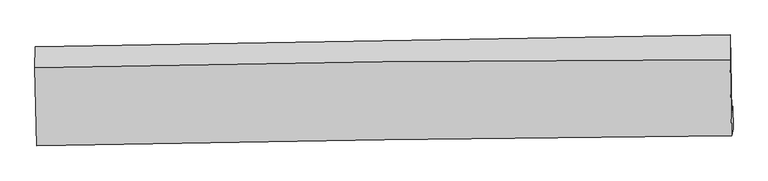
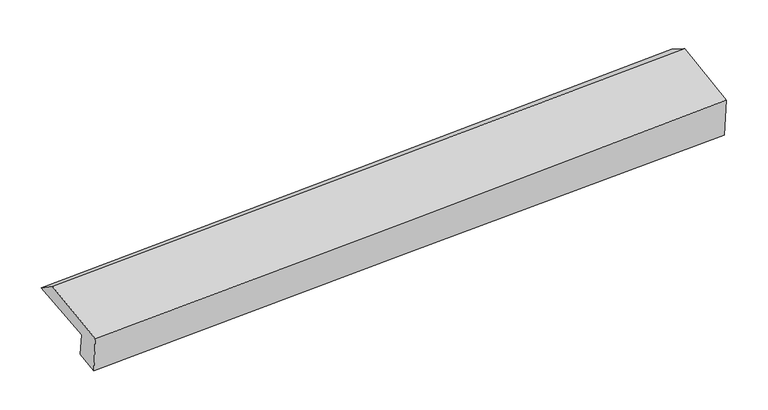
"""IFC4 building model written with IfcOpenShell, lengths in millimetres: proxy geometry."""

from ifc_helpers import new_model, si_unit, frame, origin, place, context, project, spatial, source, transform, mapped, element, save
from ifc_brep_helpers import plane_surface, spline_curve, spline_surface, advanced_brep


def generic_models_667ca4fc(model_context):
    return source(origin(), model_context, "Body", "AdvancedBrep", [
        advanced_brep(
        [(-3020.1600503, -1814.6273457, 1873.2562174), (-3034.1084314, -1181.2236274, 1963.8684921), (2995.4399932, -1076.7681548, 2182.2475413), (3008.1277172, -1746.3124408, 2091.0924142), (-3012.8924462, -1779.2632065, 1654.146172), (3016.1685012, -1695.0027805, 1843.4513355), (-3007.8521903, -1995.2945982, 1615.3583588), (3020.1918021, -1891.3627923, 1808.1771319), (-3019.7679334, -2039.8106329, 1968.269488), (3007.2178334, -1951.8359899, 2198.8424983), (-3035.599052, -1361.2699705, 2090.0995068), (2993.7137452, -1292.7595363, 2317.2392984)],
        [
            (0, 1),
            (1, 2, spline_curve(3, [(-3034.1084314, -1181.2236274, 1963.8684921), (-2028.985033265, -1162.121957369, 1994.801814915), (-1023.941581061, -1143.866196648, 2028.467538284), (985.907881429, -1109.047836022, 2101.260976174), (1990.713903971, -1092.485106261, 2140.388269545), (2995.4399932, -1076.7681548, 2182.2475413)], [4, 2, 4], [0.0, 9.897886250722813, 19.79500870915609])),
            (2, 3),
            (3, 0, spline_curve(3, [(3008.1277172, -1746.3124408, 2091.0924142), (2003.793560288, -1760.462896172, 2047.123504813), (999.288557807, -1773.230866276, 2006.986586484), (-1010.140671824, -1796.002714378, 1934.37392915), (-2015.064925147, -1806.006379486, 1901.898782329), (-3020.1600503, -1814.6273457, 1873.2562174)], [4, 2, 4], [0.0, 9.897122458433277, 19.79500870915609])),
            (4, 0),
            (3, 5),
            (5, 4, spline_curve(3, [(3016.1685012, -1695.0027805, 1843.4513355), (2011.463452577, -1717.031547499, 1813.162701873), (1006.708570503, -1735.067516632, 1782.243587589), (-1002.978404266, -1763.154941324, 1719.141964029), (-2007.910504776, -1773.205781299, 1686.95935689), (-3012.8924462, -1779.2632065, 1654.146172)], [4, 2, 4], [0.0, 9.895660152673985, 19.79208398478674])),
            (6, 4),
            (5, 7),
            (7, 6, spline_curve(3, [(3020.1918021, -1891.3627923, 1808.1771319), (2015.436500282, -1906.830586029, 1779.069879764), (1010.741230439, -1923.225096893, 1748.448700967), (-998.606776122, -1957.868889241, 1684.176010066), (-2003.259503729, -1976.118313714, 1650.524264777), (-3007.8521903, -1995.2945982, 1615.3583588)], [4, 2, 4], [0.0, 9.895165415879323, 19.79109447301701])),
            (8, 6),
            (7, 9),
            (9, 8, spline_curve(3, [(3007.2178334, -1951.8359899, 2198.8424983), (2003.008674276, -1959.32502861, 2150.858979641), (998.674665124, -1970.40034686, 2107.65336003), (-1010.320571396, -1999.724674622, 2030.794952181), (-2014.981817602, -2017.974237163, 1997.1429022), (-3019.7679334, -2039.8106329, 1968.269488)], [4, 2, 4], [0.0, 9.894667119883994, 19.790097842571274])),
            (10, 8),
            (9, 11),
            (11, 10, spline_curve(3, [(2993.7137452, -1292.7595363, 2317.2392984), (1989.03730806, -1293.786424624, 2270.405643068), (984.2757465, -1300.008650892, 2228.061056772), (-1025.495172902, -1322.844660238, 2152.347099798), (-2030.504543734, -1339.459245591, 2118.978422434), (-3035.599052, -1361.2699705, 2090.0995068)], [4, 2, 4], [0.0, 9.896469204005259, 19.793702149886343])),
            (1, 10),
            (11, 2),
        ],
        [
            spline_surface(3, 3, [[(-3020.1600503, -1814.6273457, 1873.2562174), (-2015.064925148, -1806.006379393, 1901.898782188), (-1010.140671746, -1796.002714506, 1934.373929281), (999.288557729, -1773.230866148, 2006.986586353), (2003.793560136, -1760.462896071, 2047.123504869), (3008.1277172, -1746.3124408, 2091.0924142)], [(-3024.809510672, -1603.492772908, 1903.460308973), (-2019.704961198, -1591.378238725, 1932.866459806), (-1014.740974861, -1578.623875168, 1965.738465587), (994.828332304, -1551.836522824, 2038.411382993), (1999.43367479, -1537.803632783, 2078.211759753), (3003.898475867, -1523.131012108, 2121.477456565)], [(-3029.458971028, -1392.358200192, 1933.664400527), (-2024.344997232, -1376.750098134, 1963.834137407), (-1019.341277975, -1361.245035832, 1997.103001886), (990.368106882, -1330.4421795, 2069.836179626), (1995.073789442, -1315.144369569, 2109.300014642), (2999.669234533, -1299.949583492, 2151.862498935)], [(-3034.1084314, -1181.2236274, 1963.8684921), (-2028.985033282, -1162.121957466, 1994.801815025), (-1023.94158109, -1143.866196494, 2028.467538192), (985.907881457, -1109.047836175, 2101.260976266), (1990.713904096, -1092.485106281, 2140.388269525), (2995.4399932, -1076.7681548, 2182.2475413)]], [4, 4], [4, 2, 4], [0.0, 2.1817684239056967], [0.0, 9.897886250722813, 19.79500870915609]),
            spline_surface(3, 3, [[(-3012.8924462, -1779.2632065, 1654.146172), (-2007.910504686, -1773.205781253, 1686.959356811), (-1002.978404264, -1763.154941456, 1719.141963888), (1006.708570502, -1735.0675165, 1782.24358773), (2011.463452565, -1717.031547615, 1813.162701836), (3016.1685012, -1695.0027805, 1843.4513355)], [(-3015.314980908, -1791.05125292, 1727.182853779), (-2010.295311515, -1784.139313987, 1758.605831915), (-1005.365826756, -1774.104199155, 1790.885952339), (1004.235232912, -1747.788633065, 1857.157920592), (2008.906821768, -1731.508663779, 1891.149636162), (3013.48823988, -1712.106000612, 1925.998361715)], [(-3017.737515592, -1802.83929928, 1800.219535621), (-2012.680118319, -1795.07284666, 1830.252307084), (-1007.753249254, -1785.053456807, 1862.629940829), (1001.761895318, -1760.509749583, 1932.072253491), (2006.350190933, -1745.985779907, 1969.136570543), (3010.80797852, -1729.209220688, 2008.545387985)], [(-3020.1600503, -1814.6273457, 1873.2562174), (-2015.064925148, -1806.006379393, 1901.898782188), (-1010.140671746, -1796.002714506, 1934.373929281), (999.288557729, -1773.230866148, 2006.986586353), (2003.793560136, -1760.462896071, 2047.123504869), (3008.1277172, -1746.3124408, 2091.0924142)]], [4, 4], [4, 2, 4], [0.0, 0.7314736965072911], [0.0, 9.896423832112754, 19.79208398478674]),
            spline_surface(3, 3, [[(-3007.8521903, -1995.2945982, 1615.3583588), (-2003.259503842, -1976.118313676, 1650.524264636), (-998.606776209, -1957.868889207, 1684.176010172), (1010.741230525, -1923.225096927, 1748.44870086), (2015.436500357, -1906.830586137, 1779.069879692), (3020.1918021, -1891.3627923, 1808.1771319)], [(-3009.532275605, -1923.284134288, 1628.287629894), (-2004.809837461, -1908.480802856, 1662.669295388), (-1000.06398556, -1892.964239959, 1695.831328084), (1009.397010518, -1860.505903453, 1759.713663156), (2014.112151078, -1843.564239979, 1790.43415376), (3018.850701785, -1825.909455049, 1819.935199786)], [(-3011.212360895, -1851.273670412, 1641.216900906), (-2006.360171066, -1840.843292073, 1674.814326059), (-1001.521194913, -1828.059590705, 1707.486645976), (1008.052790509, -1797.786709974, 1770.978625434), (2012.787801844, -1780.297893773, 1801.798427769), (3017.509601515, -1760.456117751, 1831.693267614)], [(-3012.8924462, -1779.2632065, 1654.146172), (-2007.910504686, -1773.205781253, 1686.959356811), (-1002.978404264, -1763.154941456, 1719.141963888), (1006.708570502, -1735.0675165, 1782.24358773), (2011.463452565, -1717.031547615, 1813.162701836), (3016.1685012, -1695.0027805, 1843.4513355)]], [4, 4], [4, 2, 4], [0.0, 0.6382681822699425], [0.0, 9.895929057137689, 19.79109447301701]),
            spline_surface(3, 3, [[(-3019.7679334, -2039.8106329, 1968.269488), (-2014.981817614, -2017.974237043, 1997.14290205), (-1010.320571297, -1999.724674469, 2030.794952302), (998.674665025, -1970.400347013, 2107.653359909), (2003.008674323, -1959.3250286, 2150.858979703), (3007.2178334, -1951.8359899, 2198.8424983)], [(-3015.796019017, -2024.97195466, 1850.632444934), (-2011.074379673, -2004.02226258, 1881.603356246), (-1006.415972909, -1985.772746055, 1915.255304917), (1002.69685355, -1954.675263658, 1987.918473551), (2007.151283026, -1941.826881091, 2026.929279672), (3011.542489658, -1931.678257345, 2068.620709473)], [(-3011.824104683, -2010.13327644, 1732.995401866), (-2007.166941782, -1990.070288139, 1766.06381044), (-1002.511374596, -1971.820817621, 1799.715657557), (1006.719042, -1938.950180282, 1868.183587218), (2011.293891654, -1924.328733646, 1902.999579723), (3015.867145842, -1911.520524855, 1938.398920727)], [(-3007.8521903, -1995.2945982, 1615.3583588), (-2003.259503842, -1976.118313676, 1650.524264636), (-998.606776209, -1957.868889207, 1684.176010172), (1010.741230525, -1923.225096927, 1748.44870086), (2015.436500357, -1906.830586137, 1779.069879692), (3020.1918021, -1891.3627923, 1808.1771319)]], [4, 4], [4, 2, 4], [0.0, 1.1676720073330396], [0.0, 9.89543072268728, 19.790097842571274]),
            spline_surface(3, 3, [[(-3035.599052, -1361.2699705, 2090.0995068), (-2030.504543581, -1339.459245494, 2118.978422543), (-1025.495172829, -1322.844660296, 2152.347099898), (984.275746428, -1300.008650833, 2228.061056671), (1989.037308084, -1293.786424582, 2270.405643166), (2993.7137452, -1292.7595363, 2317.2392984)], [(-3030.322012461, -1587.450191326, 2049.489500529), (-2025.330301586, -1565.63090937, 2078.366582375), (-1020.436972346, -1548.471331668, 2111.829717363), (989.075385933, -1523.472549541, 2187.925157748), (1993.694430165, -1515.632625916, 2230.556755359), (2998.215107935, -1512.451687495, 2277.773698381)], [(-3025.044972939, -1813.630412074, 2008.879494271), (-2020.156059608, -1791.802573167, 2037.754742219), (-1015.37877178, -1774.098003097, 2071.312334837), (993.87502552, -1746.936448306, 2147.789258833), (1998.351552242, -1737.478827265, 2190.707867509), (3002.716470665, -1732.143838705, 2238.308098319)], [(-3019.7679334, -2039.8106329, 1968.269488), (-2014.981817614, -2017.974237043, 1997.14290205), (-1010.320571297, -1999.724674469, 2030.794952302), (998.674665025, -1970.400347013, 2107.653359909), (2003.008674323, -1959.3250286, 2150.858979703), (3007.2178334, -1951.8359899, 2198.8424983)]], [4, 4], [4, 2, 4], [0.0, 2.245974916663987], [0.0, 9.897232945881084, 19.793702149886343]),
            spline_surface(3, 3, [[(-3034.1084314, -1181.2236274, 1963.8684921), (-2028.985033282, -1162.121957466, 1994.801815025), (-1023.94158109, -1143.866196494, 2028.467538192), (985.907881457, -1109.047836175, 2101.260976266), (1990.713904096, -1092.485106281, 2140.388269525), (2995.4399932, -1076.7681548, 2182.2475413)], [(-3034.605304937, -1241.239075099, 2005.945496992), (-2029.491536718, -1221.234386807, 2036.194017524), (-1024.459445002, -1203.525684423, 2069.760725442), (985.363836448, -1172.701441056, 2143.527669749), (1990.155038733, -1159.585545738, 2183.727394086), (2994.864577175, -1148.76528199, 2227.24479368)], [(-3035.102178463, -1301.254522801, 2048.022501908), (-2029.998040144, -1280.346816153, 2077.586220045), (-1024.977308917, -1263.185172367, 2111.053912648), (984.819791437, -1236.355045952, 2185.794363188), (1989.596173446, -1226.685985125, 2227.066518606), (2994.289161225, -1220.76240911, 2272.24204602)], [(-3035.599052, -1361.2699705, 2090.0995068), (-2030.504543581, -1339.459245494, 2118.978422543), (-1025.495172829, -1322.844660296, 2152.347099898), (984.275746428, -1300.008650833, 2228.061056671), (1989.037308084, -1293.786424582, 2270.405643166), (2993.7137452, -1292.7595363, 2317.2392984)]], [4, 4], [4, 2, 4], [0.0, 0.7330763173874064], [0.0, 9.899052851044939, 19.797341819777046]),
            plane_surface(frame((3006.8099321, -1609.0069491, 2073.5083699), z_axis=(0.9992744691999363, 0.014120374061851914, 0.035371602190727915), x_axis=(0.03280139677587277, 0.15289117657741533, -0.987698514980318))),
            plane_surface(frame((-3021.7300173, -1695.2482302, 1860.8330392), z_axis=(-0.9992141550376196, -0.016873158520658522, -0.035865985194789306), x_axis=(0.0217942015093012, -0.9896867715301867, -0.14158074388393355))),
        ],
        [
            (0, [[1, 2, 3, 4]]),
            (1, [[5, -4, 6, 7]]),
            (2, [[8, -7, 9, 10]]),
            (3, [[11, -10, 12, 13]]),
            (4, [[14, -13, 15, 16]]),
            (5, [[17, -16, 18, -2]]),
            (6, [[-12, -9, -6, -3, -18, -15]]),
            (7, [[-1, -5, -8, -11, -14, -17]]),
        ],
    ),
    ])


if __name__ == "__main__":
    model = new_model("IFC4")
    model_context = context("Model", 3, world=origin())
    ifc_project = project(units=[si_unit("LENGTHUNIT", "METRE", prefix="MILLI")], contexts=[model_context])
    site = spatial("IfcSite", under=ifc_project)
    building = spatial("IfcBuilding", under=site)
    placement = place(None, origin())
    generic_models_shape = generic_models_667ca4fc(model_context)
    element("IfcBuildingElementProxy", 1, Name="Generic Models", at=placement, inside=building, context=model_context, shape_type="MappedRepresentation", body=[
        mapped(generic_models_shape, transform((0.0, 0.0, 0.0), x_axis=(1.0, 0.0, 0.0), y_axis=(0.0, 1.0, 0.0), z_axis=(0.0, 0.0, 1.0))),
    ])
    save(model, "model.ifc")
